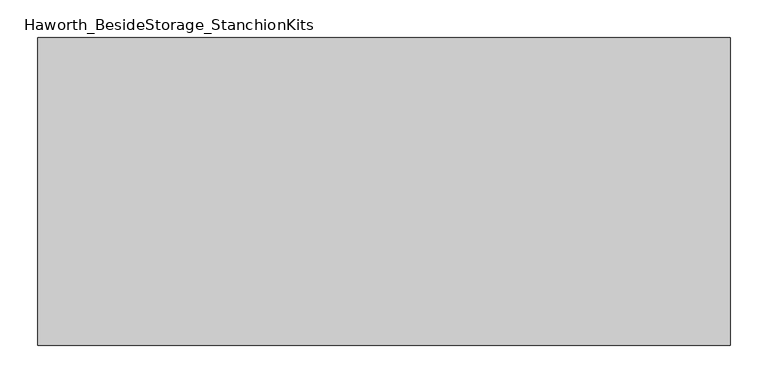
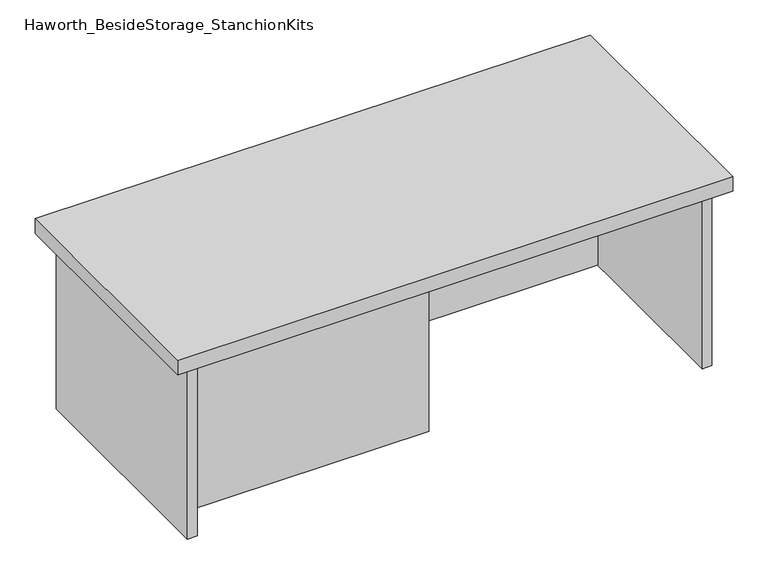
"""IFC4 building model written with IfcOpenShell, lengths in millimetres: furniture geometry, Haworth_BesideStorage_StanchionKits."""

from ifc_helpers import new_model, si_unit, frame, origin, place, context, project, spatial, polyline, outline, extrude, source, transform, mapped, element, save


def haworth_besidestorage_stanchionkits_2286d9e8(model_context):
    return source(origin(), model_context, "Body", "SweptSolid", [
        extrude(outline(polyline([(619.125, 0.0), (619.125, -406.4), (-295.275, -406.4), (-295.275, 0.0), (619.125, 0.0)])), frame((0.0, 0.0, 736.6), z_axis=(0.0, 0.0, 1.0), x_axis=(1.0, 0.0, 0.0)), (0.0, 0.0, 1.0), 25.4),
        extrude(outline(polyline([(161.925, -76.2), (577.85, -76.2), (577.85, -92.075), (161.925, -92.075), (161.925, -76.2)])), frame((0.0, 0.0, 431.8), z_axis=(0.0, 0.0, 1.0), x_axis=(1.0, 0.0, 0.0)), (0.0, 0.0, 1.0), 304.8),
        extrude(outline(polyline([(161.925, -314.325), (161.925, -330.2), (-254.0, -330.2), (-254.0, -314.325), (161.925, -314.325)])), frame((0.0, 0.0, 431.8), z_axis=(0.0, 0.0, 1.0), x_axis=(1.0, 0.0, 0.0)), (0.0, 0.0, 1.0), 304.8),
        extrude(outline(polyline([(593.725, -390.525), (577.85, -390.525), (577.85, -15.875), (593.725, -15.875), (593.725, -390.525)])), frame((0.0, 0.0, 431.8), z_axis=(0.0, 0.0, 1.0), x_axis=(1.0, 0.0, 0.0)), (0.0, 0.0, 1.0), 304.8),
        extrude(outline(polyline([(-254.0, -390.525), (-269.875, -390.525), (-269.875, -15.875), (-254.0, -15.875), (-254.0, -390.525)])), frame((0.0, 0.0, 431.8), z_axis=(0.0, 0.0, 1.0), x_axis=(1.0, 0.0, 0.0)), (0.0, 0.0, 1.0), 304.8),
    ])


if __name__ == "__main__":
    model = new_model("IFC4")
    model_context = context("Model", 3, world=origin())
    ifc_project = project(units=[si_unit("LENGTHUNIT", "METRE", prefix="MILLI")], contexts=[model_context])
    site = spatial("IfcSite", under=ifc_project)
    building = spatial("IfcBuilding", under=site)
    placement = place(None, origin())
    haworth_besidestorage_stanchionkits_shape = haworth_besidestorage_stanchionkits_2286d9e8(model_context)
    element("IfcFurniture", 1, ObjectType="Haworth_BesideStorage_StanchionKits", at=placement, inside=building, context=model_context, shape_type="MappedRepresentation", body=[
        mapped(haworth_besidestorage_stanchionkits_shape, transform((0.0, 0.0, 0.0), x_axis=(1.0, 0.0, 0.0), y_axis=(0.0, 1.0, 0.0), z_axis=(0.0, 0.0, 1.0))),
    ])
    save(model, "model.ifc")
